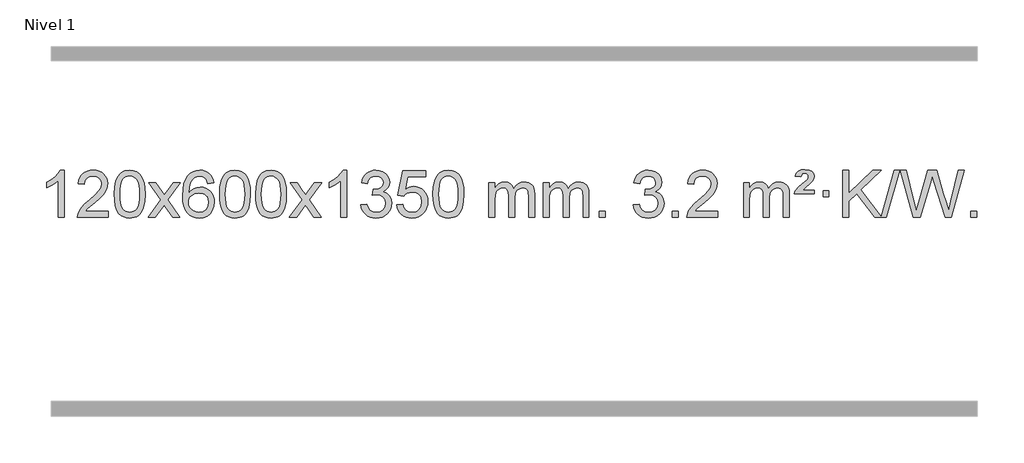
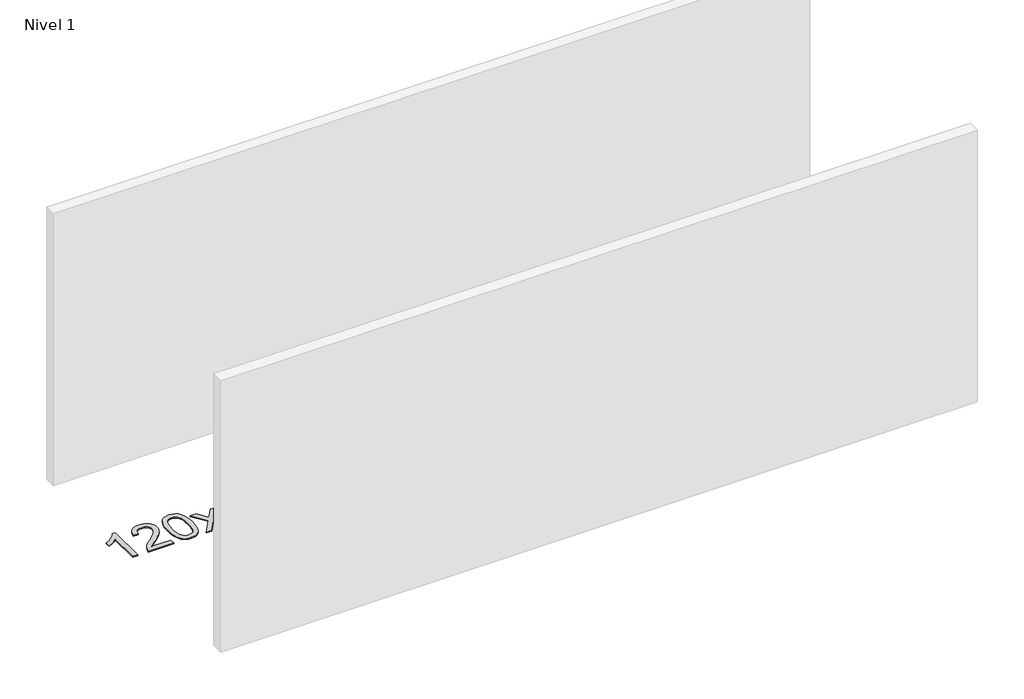
# One storey, part 11 of 21: 1 proxy.
"""IFC4 building model written with IfcOpenShell, lengths in millimetres."""

from ifc_helpers import new_model, si_unit, origin, origin_with_axes, place, context, project, spatial, polyline, outline, extrude, element, save

model = new_model("IFC4")

# Units and contexts
model_context = context("Model", 3, world=origin())
ifc_project = project(units=[si_unit("LENGTHUNIT", "METRE", prefix="MILLI")], contexts=[model_context])

# Site, building, storey
site = spatial("IfcSite", under=ifc_project)
building = spatial("IfcBuilding", under=site)
storey = spatial("IfcBuildingStorey", under=building, Name="Nivel 1", Elevation=0.0)

# Proxy
placement = place(None, origin())
element("IfcBuildingElementProxy", 1, Name="Texto de modelo 1", ObjectType="Texto de modelo 1", at=placement, inside=storey, context=model_context, shape_type="SweptSolid", body=[
    extrude(outline(polyline([(-121.6378538, -24600.579453), (-171.8660089, -24600.579453), (-171.8660089, -24287.4382987), (-192.8352826, -24304.3976587), (-219.4454136, -24321.3324932), (-272.3223191, -24346.6918254), (-272.3223191, -24299.2105225), (-232.8731065, -24277.7507395), (-198.6968691, -24252.219729), (-171.7556443, -24225.0700378), (-154.0114694, -24198.7542124), (-121.6378538, -24198.7542124), (-121.6378538, -24600.579453)])), origin_with_axes(), (0.0, 0.0, 1.0), 10.0),
    extrude(outline(polyline([(255.0733092, -24550.3512979), (255.0733092, -24600.579453), (-8.6245049, -24600.579453), (-7.5208589, -24582.8965918), (-3.2289023, -24565.9494945), (9.1564582, -24538.8856424), (27.2807778, -24512.6311307), (53.4985013, -24485.1503456), (90.1640735, -24454.4076736), (144.3653541, -24406.2641831), (176.8861225, -24370.7267824), (193.1465067, -24341.884834), (198.5666348, -24313.8277005), (193.453075, -24288.6768347), (178.1123958, -24267.7688747), (154.5311599, -24253.6789943), (124.6959301, -24248.9823675), (93.3646469, -24253.5686297), (69.0231215, -24267.3274163), (53.3145603, -24289.1796068), (47.8821695, -24318.0460807), (-2.3459855, -24311.7675613), (1.9735622, -24285.838012), (9.8309085, -24263.1826125), (21.2260533, -24243.8013627), (36.1589966, -24227.6942627), (54.2863819, -24215.0329907), (75.2648527, -24205.989225), (99.0944089, -24200.5629655), (125.7750506, -24198.7542124), (152.6948156, -24200.7653006), (176.6531306, -24206.7985654), (197.6499954, -24216.8540066), (215.6854103, -24230.9316242), (230.1707638, -24247.9890861), (240.5174449, -24266.9840598), (246.7254536, -24287.9165453), (248.7947898, -24310.7865427), (246.5629724, -24334.8092369), (239.8675201, -24358.4149983), (227.9849316, -24382.4254299), (210.1917058, -24407.6621347), (181.828004, -24437.7916701), (138.2339875, -24476.4805933), (80.4519888, -24524.795762), (57.7904579, -24550.3512979), (255.0733092, -24550.3512979)])), origin_with_axes(), (0.0, 0.0, 1.0), 10.0),
    extrude(outline(polyline([(305.3014643, -24402.9041943), (308.992547, -24338.5861588), (320.065795, -24287.2911459), (338.4108439, -24248.2343407), (350.2689068, -24233.0009605), (363.9173289, -24220.6309284), (379.4020952, -24211.0598651), (396.769191, -24204.2233914), (437.1503714, -24198.7542124), (468.1015099, -24201.991574), (495.8152869, -24211.7036586), (518.9918526, -24227.5103217), (536.3313573, -24249.0314184), (549.4279563, -24276.0830078), (559.8758049, -24308.4811488), (566.7184101, -24349.6226186), (568.9992784, -24402.9041943), (565.3449839, -24466.8543477), (554.3821005, -24518.0267333), (536.1474163, -24557.1203266), (524.3169444, -24572.3996922), (510.6777195, -24584.8341036), (495.174559, -24594.4695462), (477.7522809, -24601.3520052), (437.1503714, -24606.8579724), (409.4856453, -24604.4667394), (384.960179, -24597.2930405), (363.5739723, -24585.3368757), (345.3270254, -24568.5982449), (327.8158424, -24538.3399508), (315.3078546, -24500.6381776), (307.8030619, -24455.4929255), (305.3014643, -24402.9041943)]), holes=[polyline([(355.5296194, -24402.8060924), (357.0011473, -24446.4706195), (361.4157313, -24481.8148822), (368.7733712, -24508.8388804), (379.0740671, -24527.5426142), (391.533004, -24540.2682656), (405.365367, -24549.3580165), (420.5711561, -24554.8118671), (437.1503714, -24556.6298173), (453.7295866, -24554.8057357), (468.9353757, -24549.3334911), (482.7677388, -24540.2130833), (495.2266757, -24527.4445124), (505.5273715, -24508.7101217), (512.8850114, -24481.6922549), (517.2995954, -24446.3909118), (518.7711234, -24402.8060924), (517.3486463, -24360.2973278), (513.0812152, -24325.5753989), (505.9688299, -24298.6403055), (496.0114906, -24279.4920476), (483.7610201, -24266.1440625), (469.7692416, -24256.6097875), (454.0361549, -24250.8892225), (436.5617602, -24248.9823675), (420.068384, -24250.6623619), (405.1201123, -24255.7023452), (391.716945, -24264.1023175), (379.858882, -24275.8622786), (369.2148296, -24296.708925), (361.611935, -24324.8151094), (357.0501983, -24360.1808319), (355.5296194, -24402.8060924)])]), origin_with_axes(), (0.0, 0.0, 1.0), 10.0),
    extrude(outline(polyline([(594.113356, -24600.579453), (701.4367967, -24452.2494325), (600.3918754, -24305.4890419), (660.8226244, -24305.4890419), (709.5792515, -24376.122385), (732.3388843, -24409.4770192), (752.0573592, -24382.2047007), (807.583015, -24305.4890419), (868.0137641, -24305.4890419), (761.8675458, -24452.2494325), (864.0896895, -24600.579453), (803.6589404, -24600.579453), (742.1490708, -24511.4048574), (730.8673563, -24495.1199477), (654.544105, -24600.579453), (594.113356, -24600.579453)])), origin_with_axes(), (0.0, 0.0, 1.0), 10.0),
    extrude(outline(polyline([(1152.9015812, -24305.4890419), (1102.6734261, -24311.7675613), (1094.5800222, -24286.874213), (1083.6416642, -24269.8780648), (1060.857506, -24254.2062918), (1033.3154073, -24248.9823675), (1009.9671633, -24252.0235253), (987.9923455, -24261.1469988), (969.1199991, -24280.3627017), (953.7057435, -24306.8134171), (943.2946831, -24344.227016), (939.4319221, -24396.3313693), (959.5795927, -24372.8237098), (983.7249143, -24356.2567573), (1010.5189863, -24346.434308), (1038.612908, -24343.1601582), (1062.7459669, -24345.398107), (1085.0150903, -24352.1119534), (1105.4202783, -24363.3016975), (1123.9615309, -24378.9673391), (1139.3696551, -24398.1769106), (1150.3754581, -24419.9984443), (1156.97894, -24444.4319401), (1159.1801006, -24471.4773982), (1155.0352967, -24507.4439945), (1142.6008853, -24540.786366), (1122.9069358, -24569.0642287), (1096.9835179, -24589.8372987), (1066.0078539, -24602.602804), (1031.1571662, -24606.8579724), (1001.2146375, -24604.0375437), (974.1722452, -24595.5762579), (950.0299893, -24581.4741147), (928.7878697, -24561.7311143), (911.4698248, -24535.5133908), (899.0997927, -24501.9870783), (891.6777734, -24461.1521768), (889.203767, -24413.0086864), (891.9506193, -24359.0342663), (900.191176, -24312.9693092), (913.9254371, -24274.8138149), (933.1534027, -24244.5677835), (953.9939177, -24224.5243462), (978.1576335, -24210.2076052), (1005.6445499, -24201.6175606), (1036.454667, -24198.7542124), (1059.5883131, -24200.5261773), (1080.52693, -24205.8420722), (1099.2705176, -24214.7018969), (1115.8190761, -24227.1056515), (1129.7250155, -24242.6364031), (1140.5407461, -24260.8772186), (1148.266268, -24281.8280983), (1152.9015812, -24305.4890419)]), holes=[polyline([(939.4319221, -24470.6925832), (942.3381899, -24492.9494439), (951.0569932, -24514.2007605), (964.5950506, -24532.472233), (981.9590807, -24545.7895612), (1002.9160917, -24553.9197533), (1027.2330916, -24556.6298173), (1060.3792594, -24551.0134855), (1074.2943959, -24543.9930708), (1086.4375674, -24534.1644901), (1096.2876078, -24521.9262824), (1103.323351, -24507.6769865), (1108.9519455, -24473.1451299), (1103.3969274, -24439.9989621), (1096.4531547, -24426.3781312), (1086.731873, -24414.725469), (1074.5519133, -24405.3904634), (1060.2321066, -24398.7226022), (1025.1729524, -24393.3883133), (992.0758356, -24398.7226022), (964.3988468, -24414.725469), (953.4758173, -24426.2248471), (945.6736533, -24439.3858254), (940.9923549, -24454.2084042), (939.4319221, -24470.6925832)])]), origin_with_axes(), (0.0, 0.0, 1.0), 10.0),
    extrude(outline(polyline([(1203.1297362, -24402.9041943), (1206.8208189, -24338.5861588), (1217.894067, -24287.2911459), (1236.2391158, -24248.2343407), (1248.0971788, -24233.0009605), (1261.7456008, -24220.6309284), (1277.2303671, -24211.0598651), (1294.597463, -24204.2233914), (1334.9786433, -24198.7542124), (1365.9297818, -24201.991574), (1393.6435588, -24211.7036586), (1416.8201245, -24227.5103217), (1434.1596292, -24249.0314184), (1447.2562282, -24276.0830078), (1457.7040769, -24308.4811488), (1464.546682, -24349.6226186), (1466.8275504, -24402.9041943), (1463.1732559, -24466.8543477), (1452.2103725, -24518.0267333), (1433.9756882, -24557.1203266), (1422.1452164, -24572.3996922), (1408.5059914, -24584.8341036), (1393.002831, -24594.4695462), (1375.5805529, -24601.3520052), (1334.9786433, -24606.8579724), (1307.3139173, -24604.4667394), (1282.7884509, -24597.2930405), (1261.4022443, -24585.3368757), (1243.1552973, -24568.5982449), (1225.6441144, -24538.3399508), (1213.1361265, -24500.6381776), (1205.6313338, -24455.4929255), (1203.1297362, -24402.9041943)]), holes=[polyline([(1253.3578913, -24402.8060924), (1254.8294193, -24446.4706195), (1259.2440032, -24481.8148822), (1266.6016432, -24508.8388804), (1276.902339, -24527.5426142), (1289.3612759, -24540.2682656), (1303.1936389, -24549.3580165), (1318.3994281, -24554.8118671), (1334.9786433, -24556.6298173), (1351.5578586, -24554.8057357), (1366.7636477, -24549.3334911), (1380.5960107, -24540.2130833), (1393.0549476, -24527.4445124), (1403.3556435, -24508.7101217), (1410.7132834, -24481.6922549), (1415.1278673, -24446.3909118), (1416.5993953, -24402.8060924), (1415.1769183, -24360.2973278), (1410.9094871, -24325.5753989), (1403.7971019, -24298.6403055), (1393.8397625, -24279.4920476), (1381.5892921, -24266.1440625), (1367.5975136, -24256.6097875), (1351.8644269, -24250.8892225), (1334.3900321, -24248.9823675), (1317.896656, -24250.6623619), (1302.9483843, -24255.7023452), (1289.5452169, -24264.1023175), (1277.6871539, -24275.8622786), (1267.0431015, -24296.708925), (1259.440207, -24324.8151094), (1254.8784702, -24360.1808319), (1253.3578913, -24402.8060924)])]), origin_with_axes(), (0.0, 0.0, 1.0), 10.0),
    extrude(outline(polyline([(1510.7771861, -24402.9041943), (1514.4682688, -24338.5861588), (1525.5415168, -24287.2911459), (1543.8865656, -24248.2343407), (1555.7446286, -24233.0009605), (1569.3930506, -24220.6309284), (1584.877817, -24211.0598651), (1602.2449128, -24204.2233914), (1642.6260932, -24198.7542124), (1673.5772317, -24201.991574), (1701.2910087, -24211.7036586), (1724.4675743, -24227.5103217), (1741.8070791, -24249.0314184), (1754.9036781, -24276.0830078), (1765.3515267, -24308.4811488), (1772.1941319, -24349.6226186), (1774.4750002, -24402.9041943), (1770.8207057, -24466.8543477), (1759.8578223, -24518.0267333), (1741.6231381, -24557.1203266), (1729.7926662, -24572.3996922), (1716.1534413, -24584.8341036), (1700.6502808, -24594.4695462), (1683.2280027, -24601.3520052), (1642.6260932, -24606.8579724), (1614.9613671, -24604.4667394), (1590.4359008, -24597.2930405), (1569.0496941, -24585.3368757), (1550.8027472, -24568.5982449), (1533.2915642, -24538.3399508), (1520.7835764, -24500.6381776), (1513.2787836, -24455.4929255), (1510.7771861, -24402.9041943)]), holes=[polyline([(1561.0053412, -24402.8060924), (1562.4768691, -24446.4706195), (1566.8914531, -24481.8148822), (1574.249093, -24508.8388804), (1584.5497888, -24527.5426142), (1597.0087258, -24540.2682656), (1610.8410888, -24549.3580165), (1626.0468779, -24554.8118671), (1642.6260932, -24556.6298173), (1659.2053084, -24554.8057357), (1674.4110975, -24549.3334911), (1688.2434606, -24540.2130833), (1700.7023975, -24527.4445124), (1711.0030933, -24508.7101217), (1718.3607332, -24481.6922549), (1722.7753172, -24446.3909118), (1724.2468452, -24402.8060924), (1722.8243681, -24360.2973278), (1718.556937, -24325.5753989), (1711.4445517, -24298.6403055), (1701.4872124, -24279.4920476), (1689.2367419, -24266.1440625), (1675.2449634, -24256.6097875), (1659.5118767, -24250.8892225), (1642.037482, -24248.9823675), (1625.5441058, -24250.6623619), (1610.5958341, -24255.7023452), (1597.1926667, -24264.1023175), (1585.3346038, -24275.8622786), (1574.6905514, -24296.708925), (1567.0876568, -24324.8151094), (1562.5259201, -24360.1808319), (1561.0053412, -24402.8060924)])]), origin_with_axes(), (0.0, 0.0, 1.0), 10.0),
    extrude(outline(polyline([(1799.5890778, -24600.579453), (1906.9125185, -24452.2494325), (1805.8675971, -24305.4890419), (1866.2983462, -24305.4890419), (1915.0549733, -24376.122385), (1937.8146061, -24409.4770192), (1957.533081, -24382.2047007), (2013.0587368, -24305.4890419), (2073.4894859, -24305.4890419), (1967.3432676, -24452.2494325), (2069.5654113, -24600.579453), (2009.1346622, -24600.579453), (1947.6247926, -24511.4048574), (1936.3430781, -24495.1199477), (1860.0198268, -24600.579453), (1799.5890778, -24600.579453)])), origin_with_axes(), (0.0, 0.0, 1.0), 10.0),
    extrude(outline(polyline([(2289.3135897, -24600.579453), (2239.0854347, -24600.579453), (2239.0854347, -24287.4382987), (2218.1161609, -24304.3976587), (2191.50603, -24321.3324932), (2138.6291245, -24346.6918254), (2138.6291245, -24299.2105225), (2178.0783371, -24277.7507395), (2212.2545745, -24252.219729), (2239.1957993, -24225.0700378), (2256.9399742, -24198.7542124), (2289.3135897, -24198.7542124), (2289.3135897, -24600.579453)])), origin_with_axes(), (0.0, 0.0, 1.0), 10.0),
    extrude(outline(polyline([(2408.605458, -24493.8446235), (2458.8336131, -24487.5661041), (2470.0785394, -24519.1303793), (2486.5473901, -24540.4430095), (2509.0495055, -24552.5831154), (2538.3942259, -24556.6298173), (2572.8279807, -24551.0625364), (2587.1018021, -24544.1034354), (2599.4135862, -24534.3606939), (2616.4097344, -24509.4428201), (2622.0751171, -24479.2274455), (2616.4587853, -24450.5449126), (2599.6097899, -24427.2825078), (2574.1033049, -24411.8682522), (2542.5145043, -24406.730167), (2507.2959346, -24412.2238715), (2512.8877409, -24361.9957164), (2520.9320939, -24362.5843276), (2551.0248411, -24358.979084), (2577.9292777, -24348.1633534), (2589.0025257, -24339.9841103), (2596.9119886, -24329.8673555), (2601.6576664, -24317.8130888), (2603.239559, -24303.8213102), (2598.6532968, -24282.1285352), (2584.8945101, -24264.5315131), (2563.9007109, -24252.8696539), (2537.609411, -24248.9823675), (2511.2690602, -24252.9064421), (2489.7357007, -24264.6786659), (2474.0148768, -24284.299039), (2465.1121325, -24311.7675613), (2414.8839774, -24305.4890419), (2420.8375344, -24281.5092672), (2429.6728336, -24260.3867093), (2441.3898752, -24242.1213683), (2455.988659, -24226.713244), (2473.0093327, -24214.4811677), (2491.9920436, -24205.7439703), (2512.9367919, -24200.5016519), (2535.8435774, -24198.7542124), (2567.4201154, -24202.2000404), (2596.4214793, -24212.5375245), (2620.8733693, -24228.8469596), (2638.8014852, -24250.2086408), (2649.8011568, -24274.8199463), (2653.467714, -24300.8782543), (2649.9850978, -24325.1584659), (2639.5372491, -24347.1823347), (2622.2713208, -24365.9443165), (2598.3344657, -24380.4388671), (2629.7761135, -24393.1430586), (2653.0753066, -24414.77452), (2667.4962808, -24444.1560286), (2672.3032722, -24480.1103623), (2669.8997765, -24505.5923218), (2662.6892894, -24529.0631931), (2650.6718109, -24550.5229762), (2633.847341, -24569.971671), (2613.3501825, -24586.1094278), (2590.3146382, -24597.636397), (2564.7407082, -24604.5525785), (2536.6283924, -24606.8579724), (2511.2200092, -24604.8898037), (2488.067969, -24598.9852977), (2467.1722717, -24589.1444543), (2448.5329173, -24575.3672736), (2432.9040638, -24558.4630959), (2421.0398695, -24539.2412617), (2412.9403342, -24517.7017708), (2408.605458, -24493.8446235)])), origin_with_axes(), (0.0, 0.0, 1.0), 10.0),
    extrude(outline(polyline([(2716.2529079, -24493.8446235), (2766.481063, -24487.5661041), (2775.7026383, -24517.7201649), (2791.7913442, -24539.3148381), (2814.6736043, -24552.3010725), (2844.2758422, -24556.6298173), (2863.4057059, -24555.1245668), (2880.2792268, -24550.6088153), (2894.8964047, -24543.0825628), (2907.2572398, -24532.5458094), (2917.0858204, -24519.519721), (2924.1062352, -24504.5254641), (2929.7225669, -24468.6324441), (2924.4618544, -24434.8363514), (2917.8859638, -24420.9181493), (2908.6797168, -24408.9865099), (2896.8124568, -24399.4154467), (2882.2535268, -24392.5789729), (2845.0606571, -24387.1097939), (2820.6946063, -24389.2925604), (2800.9638686, -24395.8408599), (2785.2062565, -24405.8717757), (2772.7595823, -24418.5023908), (2722.5314273, -24412.2238715), (2766.481063, -24205.0327318), (2961.1151639, -24205.0327318), (2961.1151639, -24255.2608869), (2807.0952352, -24255.2608869), (2785.6109267, -24365.919791), (2803.3367075, -24353.2155994), (2821.491684, -24344.1411769), (2840.0758561, -24338.6965234), (2859.0892239, -24336.8816388), (2883.5503109, -24339.1318504), (2906.0187037, -24345.882485), (2926.4944024, -24357.1335427), (2944.977407, -24372.8850234), (2960.2782323, -24392.1743027), (2971.2073933, -24414.038756), (2977.7648898, -24438.4783832), (2979.950722, -24465.4931844), (2977.9825533, -24491.5147042), (2972.0780473, -24515.7213394), (2962.237204, -24538.1130902), (2948.4600232, -24558.6899565), (2927.5888514, -24579.7634634), (2903.2350633, -24594.8159684), (2875.398659, -24603.8474714), (2844.0796385, -24606.8579724), (2818.1592862, -24604.9235262), (2794.7466629, -24599.1201877), (2773.8417685, -24589.447957), (2755.4446031, -24575.9068338), (2740.1376464, -24559.1712688), (2728.5033783, -24539.915712), (2720.5417988, -24518.1401636), (2716.2529079, -24493.8446235)])), origin_with_axes(), (0.0, 0.0, 1.0), 10.0),
    extrude(outline(polyline([(3023.9003577, -24402.9041943), (3027.5914404, -24338.5861588), (3038.6646885, -24287.2911459), (3057.0097373, -24248.2343407), (3068.8678003, -24233.0009605), (3082.5162223, -24220.6309284), (3098.0009886, -24211.0598651), (3115.3680844, -24204.2233914), (3155.7492648, -24198.7542124), (3186.7004033, -24201.991574), (3214.4141803, -24211.7036586), (3237.590746, -24227.5103217), (3254.9302507, -24249.0314184), (3268.0268497, -24276.0830078), (3278.4746984, -24308.4811488), (3285.3173035, -24349.6226186), (3287.5981719, -24402.9041943), (3283.9438774, -24466.8543477), (3272.9809939, -24518.0267333), (3254.7463097, -24557.1203266), (3242.9158379, -24572.3996922), (3229.2766129, -24584.8341036), (3213.7734525, -24594.4695462), (3196.3511743, -24601.3520052), (3155.7492648, -24606.8579724), (3128.0845387, -24604.4667394), (3103.5590724, -24597.2930405), (3082.1728657, -24585.3368757), (3063.9259188, -24568.5982449), (3046.4147358, -24538.3399508), (3033.906748, -24500.6381776), (3026.4019553, -24455.4929255), (3023.9003577, -24402.9041943)]), holes=[polyline([(3074.1285128, -24402.8060924), (3075.6000408, -24446.4706195), (3080.0146247, -24481.8148822), (3087.3722646, -24508.8388804), (3097.6729605, -24527.5426142), (3110.1318974, -24540.2682656), (3123.9642604, -24549.3580165), (3139.1700495, -24554.8118671), (3155.7492648, -24556.6298173), (3172.32848, -24554.8057357), (3187.5342692, -24549.3334911), (3201.3666322, -24540.2130833), (3213.8255691, -24527.4445124), (3224.126265, -24508.7101217), (3231.4839049, -24481.6922549), (3235.8984888, -24446.3909118), (3237.3700168, -24402.8060924), (3235.9475397, -24360.2973278), (3231.6801086, -24325.5753989), (3224.5677233, -24298.6403055), (3214.610384, -24279.4920476), (3202.3599136, -24266.1440625), (3188.368135, -24256.6097875), (3172.6350484, -24250.8892225), (3155.1606536, -24248.9823675), (3138.6672775, -24250.6623619), (3123.7190057, -24255.7023452), (3110.3158384, -24264.1023175), (3098.4577754, -24275.8622786), (3087.813723, -24296.708925), (3080.2108284, -24324.8151094), (3075.6490917, -24360.1808319), (3074.1285128, -24402.8060924)])]), origin_with_axes(), (0.0, 0.0, 1.0), 10.0),
    extrude(outline(polyline([(3501.0678309, -24600.579453), (3501.0678309, -24305.4890419), (3551.295986, -24305.4890419), (3551.295986, -24354.0494653), (3566.4036733, -24331.7435537), (3585.8278426, -24314.2691589), (3608.9063064, -24302.9751816), (3634.9768772, -24299.2105225), (3662.9113833, -24303.048758), (3685.3031341, -24314.5634645), (3702.0295022, -24332.9943524), (3712.9678601, -24357.5811324), (3731.2761208, -24332.0439906), (3752.1595554, -24313.803175), (3775.6181639, -24302.8586857), (3801.6519464, -24299.2105225), (3821.7597632, -24300.7280358), (3839.4089019, -24305.2805755), (3854.5993626, -24312.8681416), (3867.3311453, -24323.4907342), (3877.3957836, -24337.2709806), (3884.5848109, -24354.3315082), (3888.8982273, -24374.6723168), (3890.3360328, -24398.2934066), (3890.3360328, -24600.579453), (3840.1078777, -24600.579453), (3840.1078777, -24419.875817), (3838.942918, -24394.8230531), (3835.4480391, -24377.9372695), (3828.8997396, -24366.3735121), (3818.5745182, -24357.2868268), (3805.2939782, -24351.4007149), (3789.8797226, -24349.4386776), (3762.6687177, -24354.4663982), (3740.4854334, -24369.54956), (3731.8800604, -24381.1194488), (3725.7333654, -24395.7182326), (3720.8160094, -24434.0024856), (3720.8160094, -24600.579453), (3670.5878543, -24600.579453), (3670.5878543, -24414.2840106), (3667.6815865, -24385.8835206), (3658.9627833, -24365.6254854), (3643.6221041, -24353.4853796), (3620.8502086, -24349.4386776), (3601.4996156, -24352.1364789), (3583.6696016, -24360.2298828), (3568.9543218, -24373.5226856), (3558.9479315, -24391.8186835), (3553.2089724, -24417.2025411), (3551.295986, -24451.7589232), (3551.295986, -24600.579453), (3501.0678309, -24600.579453)])), origin_with_axes(), (0.0, 0.0, 1.0), 10.0),
    extrude(outline(polyline([(3965.6782654, -24600.579453), (3965.6782654, -24305.4890419), (4015.9064204, -24305.4890419), (4015.9064204, -24354.0494653), (4031.0141077, -24331.7435537), (4050.4382771, -24314.2691589), (4073.5167409, -24302.9751816), (4099.5873116, -24299.2105225), (4127.5218178, -24303.048758), (4149.9135685, -24314.5634645), (4166.6399366, -24332.9943524), (4177.5782946, -24357.5811324), (4195.8865552, -24332.0439906), (4216.7699898, -24313.803175), (4240.2285984, -24302.8586857), (4266.2623809, -24299.2105225), (4286.3701976, -24300.7280358), (4304.0193363, -24305.2805755), (4319.209797, -24312.8681416), (4331.9415798, -24323.4907342), (4342.006218, -24337.2709806), (4349.1952453, -24354.3315082), (4353.5086617, -24374.6723168), (4354.9464672, -24398.2934066), (4354.9464672, -24600.579453), (4304.7183121, -24600.579453), (4304.7183121, -24419.875817), (4303.5533525, -24394.8230531), (4300.0584735, -24377.9372695), (4293.510174, -24366.3735121), (4283.1849527, -24357.2868268), (4269.9044126, -24351.4007149), (4254.490157, -24349.4386776), (4227.2791521, -24354.4663982), (4205.0958678, -24369.54956), (4196.4904948, -24381.1194488), (4190.3437998, -24395.7182326), (4185.4264438, -24434.0024856), (4185.4264438, -24600.579453), (4135.1982887, -24600.579453), (4135.1982887, -24414.2840106), (4132.292021, -24385.8835206), (4123.5732177, -24365.6254854), (4108.2325385, -24353.4853796), (4085.460643, -24349.4386776), (4066.11005, -24352.1364789), (4048.280036, -24360.2298828), (4033.5647562, -24373.5226856), (4023.5583659, -24391.8186835), (4017.8194068, -24417.2025411), (4015.9064204, -24451.7589232), (4015.9064204, -24600.579453), (3965.6782654, -24600.579453)])), origin_with_axes(), (0.0, 0.0, 1.0), 10.0),
    extrude(outline(polyline([(4442.8457386, -24600.579453), (4442.8457386, -24550.3512979), (4493.0738936, -24550.3512979), (4493.0738936, -24600.579453), (4442.8457386, -24600.579453)])), origin_with_axes(), (0.0, 0.0, 1.0), 10.0),
    extrude(outline(polyline([(4731.6576303, -24493.8446235), (4781.8857853, -24487.5661041), (4793.1307116, -24519.1303793), (4809.5995623, -24540.4430095), (4832.1016777, -24552.5831154), (4861.4463982, -24556.6298173), (4895.8801529, -24551.0625364), (4910.1539743, -24544.1034354), (4922.4657584, -24534.3606939), (4939.4619066, -24509.4428201), (4945.1272893, -24479.2274455), (4939.5109575, -24450.5449126), (4922.6619621, -24427.2825078), (4897.1554772, -24411.8682522), (4865.5666765, -24406.730167), (4830.3481068, -24412.2238715), (4835.9399132, -24361.9957164), (4843.9842661, -24362.5843276), (4874.0770133, -24358.979084), (4900.9814499, -24348.1633534), (4912.054698, -24339.9841103), (4919.9641609, -24329.8673555), (4924.7098386, -24317.8130888), (4926.2917312, -24303.8213102), (4921.705469, -24282.1285352), (4907.9466823, -24264.5315131), (4886.9528832, -24252.8696539), (4860.6615832, -24248.9823675), (4834.3212324, -24252.9064421), (4812.7878729, -24264.6786659), (4797.067049, -24284.299039), (4788.1643047, -24311.7675613), (4737.9361496, -24305.4890419), (4743.8897066, -24281.5092672), (4752.7250058, -24260.3867093), (4764.4420474, -24242.1213683), (4779.0408312, -24226.713244), (4796.0615049, -24214.4811677), (4815.0442158, -24205.7439703), (4835.9889641, -24200.5016519), (4858.8957497, -24198.7542124), (4890.4722876, -24202.2000404), (4919.4736515, -24212.5375245), (4943.9255415, -24228.8469596), (4961.8536574, -24250.2086408), (4972.853329, -24274.8199463), (4976.5198862, -24300.8782543), (4973.03727, -24325.1584659), (4962.5894214, -24347.1823347), (4945.3234931, -24365.9443165), (4921.3866379, -24380.4388671), (4952.8282858, -24393.1430586), (4976.1274788, -24414.77452), (4990.548453, -24444.1560286), (4995.3554444, -24480.1103623), (4992.9519487, -24505.5923218), (4985.7414616, -24529.0631931), (4973.7239831, -24550.5229762), (4956.8995132, -24569.971671), (4936.4023547, -24586.1094278), (4913.3668104, -24597.636397), (4887.7928804, -24604.5525785), (4859.6805646, -24606.8579724), (4834.2721814, -24604.8898037), (4811.1201412, -24598.9852977), (4790.2244439, -24589.1444543), (4771.5850895, -24575.3672736), (4755.956236, -24558.4630959), (4744.0920417, -24539.2412617), (4735.9925064, -24517.7017708), (4731.6576303, -24493.8446235)])), origin_with_axes(), (0.0, 0.0, 1.0), 10.0),
    extrude(outline(polyline([(5064.4191576, -24600.579453), (5064.4191576, -24550.3512979), (5114.6473127, -24550.3512979), (5114.6473127, -24600.579453), (5064.4191576, -24600.579453)])), origin_with_axes(), (0.0, 0.0, 1.0), 10.0),
    extrude(outline(polyline([(5453.6873595, -24550.3512979), (5453.6873595, -24600.579453), (5189.9895453, -24600.579453), (5191.0931913, -24582.8965918), (5195.3851479, -24565.9494945), (5207.7705084, -24538.8856424), (5225.894828, -24512.6311307), (5252.1125516, -24485.1503456), (5288.7781237, -24454.4076736), (5342.9794044, -24406.2641831), (5375.5001727, -24370.7267824), (5391.7605569, -24341.884834), (5397.180685, -24313.8277005), (5392.0671253, -24288.6768347), (5376.7264461, -24267.7688747), (5353.1452102, -24253.6789943), (5323.3099804, -24248.9823675), (5291.9786971, -24253.5686297), (5267.6371718, -24267.3274163), (5251.9286106, -24289.1796068), (5246.4962198, -24318.0460807), (5196.2680647, -24311.7675613), (5200.5876125, -24285.838012), (5208.4449587, -24263.1826125), (5219.8401035, -24243.8013627), (5234.7730469, -24227.6942627), (5252.9004322, -24215.0329907), (5273.8789029, -24205.989225), (5297.7084592, -24200.5629655), (5324.3891009, -24198.7542124), (5351.3088659, -24200.7653006), (5375.2671808, -24206.7985654), (5396.2640457, -24216.8540066), (5414.2994605, -24230.9316242), (5428.7848141, -24247.9890861), (5439.1314952, -24266.9840598), (5445.3395038, -24287.9165453), (5447.4088401, -24310.7865427), (5445.1770226, -24334.8092369), (5438.4815703, -24358.4149983), (5426.5989819, -24382.4254299), (5408.805756, -24407.6621347), (5380.4420542, -24437.7916701), (5336.8480378, -24476.4805933), (5279.0660391, -24524.795762), (5256.4045082, -24550.3512979), (5453.6873595, -24550.3512979)])), origin_with_axes(), (0.0, 0.0, 1.0), 10.0),
    extrude(outline(polyline([(5673.4355379, -24600.579453), (5673.4355379, -24305.4890419), (5723.663693, -24305.4890419), (5723.663693, -24354.0494653), (5738.7713802, -24331.7435537), (5758.1955496, -24314.2691589), (5781.2740134, -24302.9751816), (5807.3445842, -24299.2105225), (5835.2790903, -24303.048758), (5857.6708411, -24314.5634645), (5874.3972091, -24332.9943524), (5885.3355671, -24357.5811324), (5903.6438278, -24332.0439906), (5924.5272623, -24313.803175), (5947.9858709, -24302.8586857), (5974.0196534, -24299.2105225), (5994.1274702, -24300.7280358), (6011.7766089, -24305.2805755), (6026.9670696, -24312.8681416), (6039.6988523, -24323.4907342), (6049.7634906, -24337.2709806), (6056.9525179, -24354.3315082), (6061.2659343, -24374.6723168), (6062.7037397, -24398.2934066), (6062.7037397, -24600.579453), (6012.4755847, -24600.579453), (6012.4755847, -24419.875817), (6011.310625, -24394.8230531), (6007.8157461, -24377.9372695), (6001.2674465, -24366.3735121), (5990.9422252, -24357.2868268), (5977.6616852, -24351.4007149), (5962.2474296, -24349.4386776), (5935.0364247, -24354.4663982), (5912.8531404, -24369.54956), (5904.2477674, -24381.1194488), (5898.1010724, -24395.7182326), (5893.1837164, -24434.0024856), (5893.1837164, -24600.579453), (5842.9555613, -24600.579453), (5842.9555613, -24414.2840106), (5840.0492935, -24385.8835206), (5831.3304902, -24365.6254854), (5815.989811, -24353.4853796), (5793.2179155, -24349.4386776), (5773.8673226, -24352.1364789), (5756.0373086, -24360.2298828), (5741.3220287, -24373.5226856), (5731.3156385, -24391.8186835), (5725.5766794, -24417.2025411), (5723.663693, -24451.7589232), (5723.663693, -24600.579453), (5673.4355379, -24600.579453)])), origin_with_axes(), (0.0, 0.0, 1.0), 10.0),
    extrude(outline(polyline([(6106.6533754, -24399.6668327), (6110.4793482, -24383.8479069), (6118.8180067, -24367.9799302), (6140.3268407, -24342.8413272), (6172.2835234, -24315.1030247), (6216.4293628, -24277.726214), (6223.5662735, -24266.1992448), (6225.9452437, -24254.3779701), (6224.0567828, -24242.2869152), (6218.3914001, -24232.5012541), (6209.022672, -24226.026531), (6196.0241748, -24223.8682899), (6183.5897634, -24225.4869707), (6174.73607, -24230.343013), (6168.3103978, -24239.8098431), (6163.1600499, -24255.2608869), (6112.9318948, -24248.9823675), (6123.7721509, -24223.7701881), (6140.4004171, -24206.2099542), (6164.165594, -24195.9092583), (6196.4165822, -24192.475693), (6232.1992376, -24196.6082341), (6256.9454332, -24209.0058573), (6271.3664074, -24227.3386434), (6276.1733988, -24249.2766731), (6272.0776459, -24272.1834586), (6259.7903873, -24293.8149199), (6239.262572, -24313.6314968), (6202.7932035, -24341.6886303), (6177.1886166, -24368.2742358), (6276.1733988, -24368.2742358), (6276.1733988, -24399.6668327), (6106.6533754, -24399.6668327)])), origin_with_axes(), (0.0, 0.0, 1.0), 10.0),
    extrude(outline(polyline([(6351.5156314, -24424.7809102), (6351.5156314, -24374.5527552), (6401.7437865, -24374.5527552), (6401.7437865, -24424.7809102), (6351.5156314, -24424.7809102)])), origin_with_axes(), (0.0, 0.0, 1.0), 10.0),
    extrude(outline(polyline([(6792.3854144, -24600.579453), (6638.954097, -24397.9009991), (6571.2638099, -24462.4520265), (6571.2638099, -24600.579453), (6521.0356548, -24600.579453), (6521.0356548, -24198.7542124), (6571.2638099, -24198.7542124), (6571.2638099, -24395.4484525), (6777.2777272, -24198.7542124), (6847.5186628, -24198.7542124), (6674.5650741, -24363.9577537), (6849.218684, -24594.5349332), (6960.5320117, -24198.7542124), (7005.8550735, -24198.7542124), (6892.8417246, -24600.579453), (6853.7971822, -24600.579453), (6847.5186628, -24600.579453), (6792.3854144, -24600.579453)])), origin_with_axes(), (0.0, 0.0, 1.0), 10.0),
    extrude(outline(polyline([(7120.3399504, -24600.579453), (7010.7601668, -24198.7542124), (7062.5579517, -24198.7542124), (7126.1279605, -24462.844434), (7145.7483335, -24544.3670841), (7166.7421327, -24472.2622131), (7246.4008474, -24198.7542124), (7321.056367, -24198.7542124), (7378.9364675, -24397.0180823), (7403.731714, -24470.5944814), (7422.0031864, -24544.3670841), (7441.0349483, -24465.1988788), (7505.1935683, -24198.7542124), (7556.9913532, -24198.7542124), (7447.3134677, -24600.579453), (7393.6517474, -24600.579453), (7297.3157155, -24290.5775584), (7283.87576, -24247.3146358), (7268.7680727, -24299.4067263), (7180.9669032, -24600.579453), (7120.3399504, -24600.579453)])), origin_with_axes(), (0.0, 0.0, 1.0), 10.0),
    extrude(outline(polyline([(7613.4980277, -24600.579453), (7613.4980277, -24550.3512979), (7663.7261827, -24550.3512979), (7663.7261827, -24600.579453), (7613.4980277, -24600.579453)])), origin_with_axes(), (0.0, 0.0, 1.0), 10.0),
])

save(model, "model.ifc")
